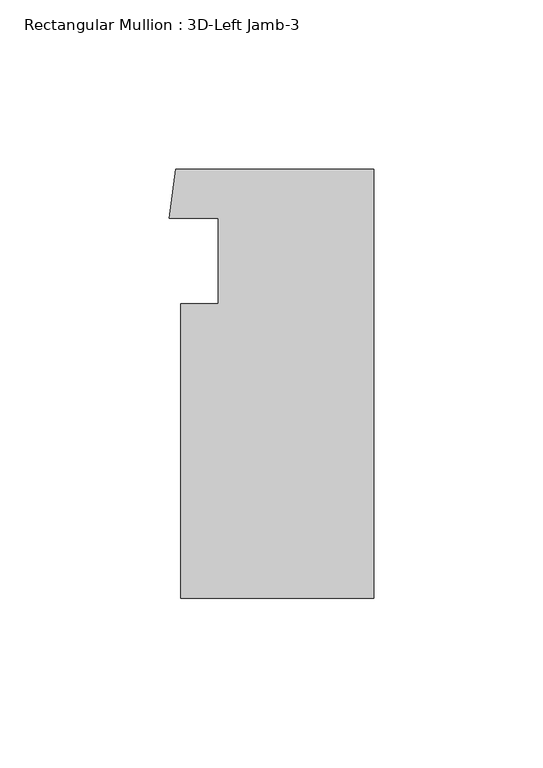
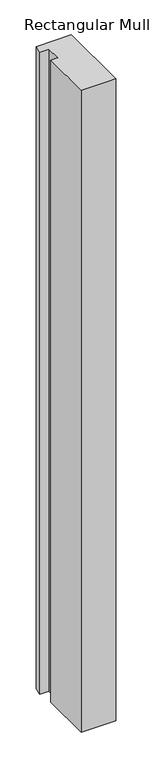
"""IFC4 building model written with IfcOpenShell, lengths in millimetres: member geometry, Rectangular Mullion : 3D-Left Jamb-3."""

from ifc_helpers import new_model, si_unit, frame, origin, place, context, project, spatial, polyline, outline, extrude, source, transform, mapped, element, save


def rectangular_mullion_3d_left_jamb_3_263d9fca(model_context):
    return source(origin(), model_context, "Body", "SweptSolid", [
        extrude(outline(polyline([(-57.15, 14.071475), (-46.0375, 14.071475), (-46.0375, 39.4333036), (-60.5514101, 39.4333036), (-58.4903823, 53.975), (0.0, 53.975), (0.0, -73.025), (-57.15, -73.025), (-57.15, 14.071475)])), frame((0.0, 0.0, -1123.7288679), z_axis=(0.0, 0.0, 1.0), x_axis=(1.0, 0.0, 0.0)), (0.0, 0.0, 1.0), 1123.7288679),
    ])


if __name__ == "__main__":
    model = new_model("IFC4")
    model_context = context("Model", 3, world=origin())
    ifc_project = project(units=[si_unit("LENGTHUNIT", "METRE", prefix="MILLI")], contexts=[model_context])
    site = spatial("IfcSite", under=ifc_project)
    building = spatial("IfcBuilding", under=site)
    placement = place(None, origin())
    rectangular_mullion_3d_left_jamb_3_shape = rectangular_mullion_3d_left_jamb_3_263d9fca(model_context)
    element("IfcMember", 1, ObjectType="Rectangular Mullion : 3D-Left Jamb-3", at=placement, inside=building, context=model_context, shape_type="MappedRepresentation", body=[
        mapped(rectangular_mullion_3d_left_jamb_3_shape, transform((0.0, 0.0, 0.0), x_axis=(1.0, 0.0, 0.0), y_axis=(0.0, 1.0, 0.0), z_axis=(0.0, 0.0, 1.0))),
    ])
    save(model, "model.ifc")
